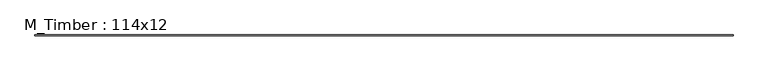
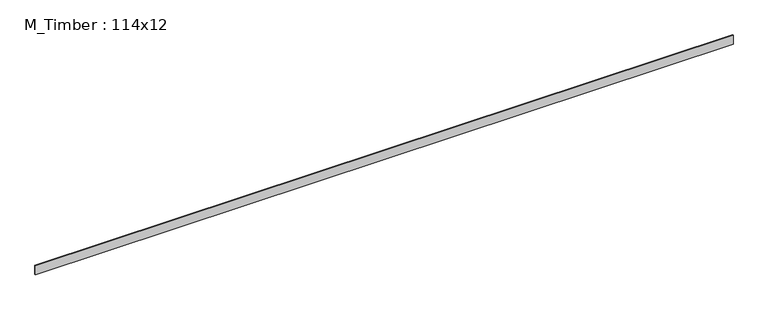
"""IFC4 building model written with IfcOpenShell, lengths in millimetres: beam geometry, M_Timber : 114x12."""

from ifc_helpers import new_model, si_unit, frame, origin, place, context, project, spatial, polyline, outline, extrude, source, transform, mapped, element, save


def m_timber_114x12_3f4f8a6d(model_context):
    return source(origin(), model_context, "Body", "SweptSolid", [
        extrude(outline(polyline([(4222.4707151, 6.0), (4222.4707151, -6.0), (-4216.4707151, -6.0), (-4216.4707151, 6.0), (4222.4707151, 6.0)])), frame((0.0, 0.0, -57.0), z_axis=(0.0, 0.0, 1.0), x_axis=(1.0, 0.0, 0.0)), (0.0, 0.0, 1.0), 114.0),
    ])


if __name__ == "__main__":
    model = new_model("IFC4")
    model_context = context("Model", 3, world=origin())
    ifc_project = project(units=[si_unit("LENGTHUNIT", "METRE", prefix="MILLI")], contexts=[model_context])
    site = spatial("IfcSite", under=ifc_project)
    building = spatial("IfcBuilding", under=site)
    placement = place(None, origin())
    m_timber_114x12_shape = m_timber_114x12_3f4f8a6d(model_context)
    element("IfcBeam", 1, ObjectType="M_Timber : 114x12", at=placement, inside=building, context=model_context, shape_type="MappedRepresentation", body=[
        mapped(m_timber_114x12_shape, transform((0.0, 0.0, 0.0), x_axis=(1.0, 0.0, 0.0), y_axis=(0.0, 1.0, 0.0), z_axis=(0.0, 0.0, 1.0))),
    ])
    save(model, "model.ifc")
